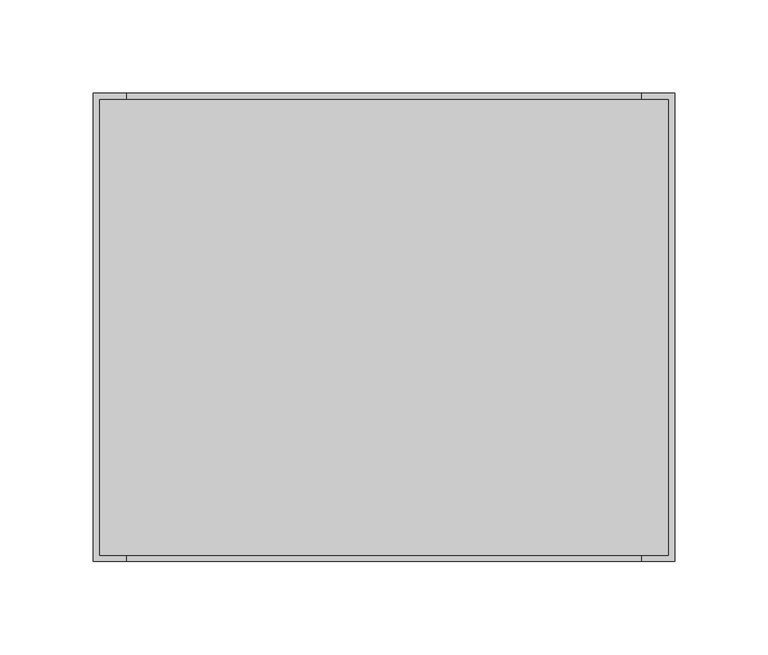
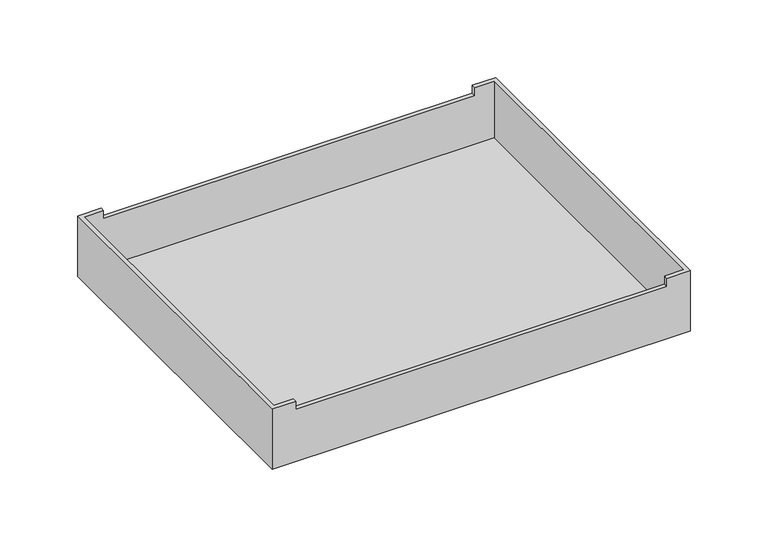
"""IFC4 building model written with IfcOpenShell, lengths in millimetres: furniture geometry."""

from ifc_helpers import new_model, si_unit, frame, origin, place, context, project, spatial, polyline, outline, extrude, faceted_brep, source, transform, mapped, element, save


def furniture_4f1291f4(model_context):
    return source(origin(), model_context, "Body", "SolidModel", [
        extrude(outline(polyline([(13.3858723, -3.8608482), (13.3858723, -5.5117649), (3.8608723, -5.5117649), (3.8608723, -3.8608482), (13.3858723, -3.8608482)])), frame((0.0, 0.0, 725.2970078), z_axis=(0.0, 0.0, 1.0), x_axis=(1.0, 0.0, 0.0)), (0.0, 0.0, 1.0), 1.6509893),
        extrude(outline(polyline([(307.2894444, -3.8608482), (307.2894444, -5.5117649), (297.7644444, -5.5117649), (297.7644444, -3.8608482), (307.2894444, -3.8608482)])), frame((0.0, 0.0, 725.2970078), z_axis=(0.0, 0.0, 1.0), x_axis=(1.0, 0.0, 0.0)), (0.0, 0.0, 1.0), 1.6509893),
        extrude(outline(polyline([(307.2894444, -245.3132614), (307.2894444, -246.9641781), (297.7644444, -246.9641781), (297.7644444, -245.3132614), (307.2894444, -245.3132614)])), frame((0.0, 0.0, 725.2970078), z_axis=(0.0, 0.0, 1.0), x_axis=(1.0, 0.0, 0.0)), (0.0, 0.0, 1.0), 1.6509893),
        extrude(outline(polyline([(13.3858723, -245.3132614), (13.3858723, -246.9641781), (3.8608723, -246.9641781), (3.8608723, -245.3132614), (13.3858723, -245.3132614)])), frame((0.0, 0.0, 725.2970078), z_axis=(0.0, 0.0, 1.0), x_axis=(1.0, 0.0, 0.0)), (0.0, 0.0, 1.0), 1.6509893),
        extrude(outline(polyline([(276.8726964, -4.0640335), (276.8726964, -246.7609928), (34.277039, -246.7609928), (34.277039, -4.0640335), (276.8726964, -4.0640335)]), holes=[polyline([(35.928101, -245.1099308), (275.2216344, -245.1099308), (275.2216344, -5.7149502), (35.928101, -5.7149502), (35.928101, -245.1099308)])]), frame((0.0, 0.0, 723.9), z_axis=(0.0, 0.0, 1.0), x_axis=(1.0, 0.0, 0.0)), (0.0, 0.0, 1.0), 3.0479971),
        faceted_brep([(17.4623677, 0.0, 774.573), (0.0, 0.0, 774.573), (0.0, -250.8249889, 774.573), (17.4623677, -250.8249889, 774.573), (17.4623677, -247.7770645, 774.573), (3.0481312, -247.7770645, 774.573), (3.0481312, -3.0479618, 774.573), (17.4623677, -3.0479618, 774.573), (293.6878876, 0.0, 774.573), (293.6878876, -3.0479618, 774.573), (308.102124, -3.0479618, 774.573), (308.102124, -247.7770645, 774.573), (293.6878876, -247.7770645, 774.573), (293.6878876, -250.8249889, 774.573), (311.1502553, -250.8249889, 774.573), (311.1502553, 0.0, 774.573), (17.4623677, 0.0, 768.2230213), (293.6878876, 0.0, 768.2230213), (311.1502553, 0.0, 726.9479971), (0.0, 0.0, 726.9479971), (0.0, -250.8249889, 726.9479971), (311.1502553, -250.8249889, 726.9479971), (293.6878876, -250.8249889, 768.2230213), (17.4623677, -250.8249889, 768.2230213), (17.4623677, -247.7770645, 768.2230213), (293.6878876, -247.7770645, 768.2230213), (308.102124, -247.7770645, 729.9959942), (3.0481312, -247.7770645, 729.9959942), (3.0481312, -3.0479618, 729.9959942), (308.102124, -3.0479618, 729.9959942), (293.6878876, -3.0479618, 768.2230213), (17.4623677, -3.0479618, 768.2230213)], [[[0, 1, 2, 3, 4, 5, 6, 7]], [[8, 9, 10, 11, 12, 13, 14, 15]], [[1, 0, 16, 17, 8, 15, 18, 19]], [[2, 1, 19, 20]], [[3, 2, 20, 21, 14, 13, 22, 23]], [[4, 3, 23, 24]], [[5, 4, 24, 25, 12, 11, 26, 27]], [[6, 5, 27, 28]], [[7, 6, 28, 29, 10, 9, 30, 31]], [[0, 7, 31, 16]], [[9, 8, 17, 30]], [[11, 10, 29, 26]], [[13, 12, 25, 22]], [[15, 14, 21, 18]], [[27, 26, 29, 28]], [[18, 21, 20, 19]], [[17, 16, 31, 30]], [[25, 24, 23, 22]]]),
    ])


if __name__ == "__main__":
    model = new_model("IFC4")
    model_context = context("Model", 3, world=origin())
    ifc_project = project(units=[si_unit("LENGTHUNIT", "METRE", prefix="MILLI")], contexts=[model_context])
    site = spatial("IfcSite", under=ifc_project)
    building = spatial("IfcBuilding", under=site)
    placement = place(None, origin())
    furniture_shape = furniture_4f1291f4(model_context)
    element("IfcFurniture", 1, at=placement, inside=building, context=model_context, shape_type="MappedRepresentation", body=[
        mapped(furniture_shape, transform((0.0, 0.0, 0.0), x_axis=(1.0, 0.0, 0.0), y_axis=(0.0, 1.0, 0.0), z_axis=(0.0, 0.0, 1.0))),
    ])
    save(model, "model.ifc")
